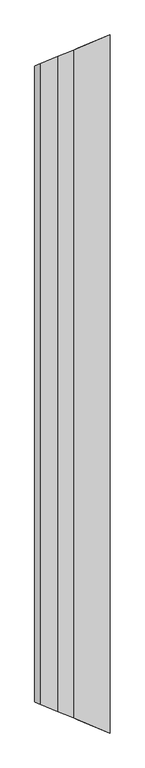
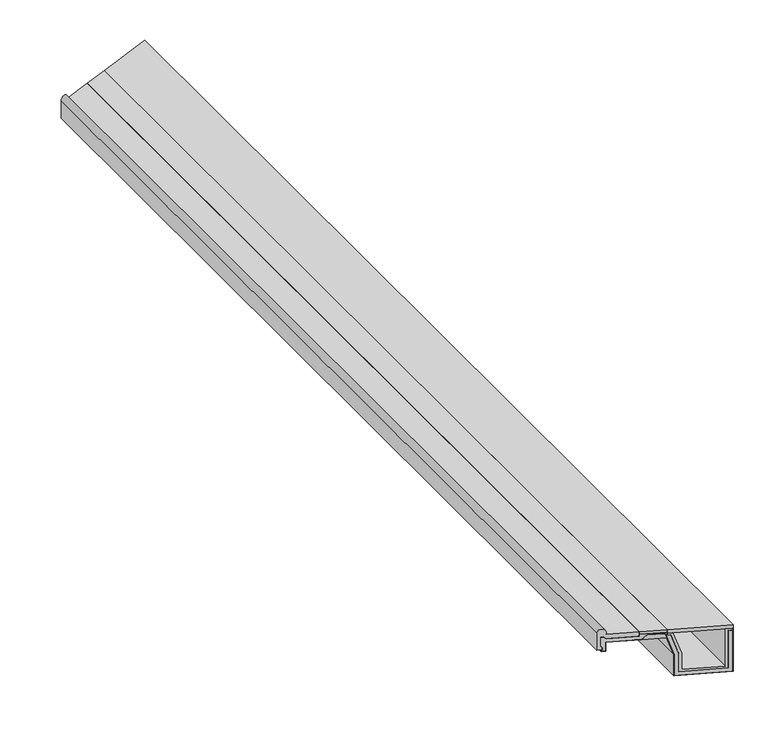
"""IFC4 building model written with IfcOpenShell, lengths in millimetres: proxy geometry."""

import ifcopenshell
import ifcopenshell.guid

model = None  # the IFC model being written
_history = None  # IfcOwnerHistory: only IFC2X3 demands one
_inside = {}  # id of a spatial element -> (the spatial element, [elements in it])
_under = {}  # id of a project, library or spatial element -> (it, [spatial elements below it])
_declared = {}  # id of a project -> (the project, [libraries it declares])
_typed = {}  # id of a type object -> (the type object, [elements of that type])
_made_of = {}  # id of a material, layer set ... -> (it, [elements and type objects made of it])


def new_model(schema):
    """Start an empty IFC model of exactly this schema.

    Asked for "IFC4X3", IfcOpenShell would pick the latest addendum, in which some entities
    have other attributes; the version numbers below select the first issue.
    IFC2X3 requires an IfcOwnerHistory on every rooted entity: one is made here for all.
    """
    global model, _history
    if schema == "IFC4X3":
        model = ifcopenshell.file(schema_version=(4, 3, 0, 0))
    else:
        model = ifcopenshell.file(schema=schema)
    _inside.clear()
    _under.clear()
    _declared.clear()
    _typed.clear()
    _made_of.clear()
    _history = None
    if model.schema == "IFC2X3":
        org = make("IfcOrganization", Name="unknown")
        user = make(
            "IfcPersonAndOrganization",
            ThePerson=make("IfcPerson", FamilyName="unknown"),
            TheOrganization=org,
        )
        app = make(
            "IfcApplication",
            ApplicationDeveloper=org,
            Version="unknown",
            ApplicationFullName="unknown",
            ApplicationIdentifier="unknown",
        )
        _history = make(
            "IfcOwnerHistory",
            OwningUser=user,
            OwningApplication=app,
            ChangeAction="ADDED",
            CreationDate=0,
        )
    return model


def make(cls, **values):
    """One entity of the class cls with the attributes given. An attribute that is None is left unset."""
    return model.create_entity(
        cls, **{name: value for name, value in values.items() if value is not None}
    )


def rooted(cls, **values):
    """An entity with a GlobalId (a new one), such as an element, a storey or a relation."""
    return make(cls, GlobalId=ifcopenshell.guid.new(), OwnerHistory=_history, **values)


def si_unit(unit_type, name, prefix=None):
    """IfcSIUnit, for example si_unit("LENGTHUNIT", "METRE", prefix="MILLI")."""
    return make("IfcSIUnit", UnitType=unit_type, Prefix=prefix, Name=name)


def assignment(units):
    """IfcUnitAssignment: the units of a project."""
    return None if units is None else make("IfcUnitAssignment", Units=units)


def point(xyz):
    """IfcCartesianPoint."""
    return None if xyz is None else make("IfcCartesianPoint", Coordinates=xyz)


def direction(xyz):
    """IfcDirection."""
    return None if xyz is None else make("IfcDirection", DirectionRatios=xyz)


def frame(location, z_axis=None, x_axis=None):
    """IfcAxis2Placement3D, a coordinate frame: its origin and axes. An axis left out is left unset."""
    return make(
        "IfcAxis2Placement3D",
        Location=point(location),
        Axis=direction(z_axis),
        RefDirection=direction(x_axis),
    )


def origin():
    """The frame at (0, 0, 0) with its axes left unset."""
    return frame((0.0, 0.0, 0.0))


def place(relative_to, where):
    """IfcLocalPlacement: puts the frame where relative to a parent placement (None: the world)."""
    return make(
        "IfcLocalPlacement", PlacementRelTo=relative_to, RelativePlacement=where
    )


def context(
    kind, dimensions, precision=None, world=None, true_north=None, identifier=None
):
    """IfcGeometricRepresentationContext, for example the 3D "Model" context."""
    return make(
        "IfcGeometricRepresentationContext",
        ContextIdentifier=identifier,
        ContextType=kind,
        CoordinateSpaceDimension=dimensions,
        Precision=precision,
        WorldCoordinateSystem=world,
        TrueNorth=true_north,
    )


def project(units=None, contexts=None):
    """IfcProject with its units and contexts."""
    return rooted(
        "IfcProject",
        Name="project",
        RepresentationContexts=contexts,
        UnitsInContext=assignment(units),
    )


def spatial(cls, under=None, at=None, **own):
    """A site, building, storey or space (cls), placed at a placement, below another one or the project."""
    s = rooted(cls, ObjectPlacement=at, **own)
    if under is not None:
        _under.setdefault(under.id(), (under, []))[1].append(s)
    return s


def polyline(points):
    """IfcPolyline through the points."""
    return make("IfcPolyline", Points=[point(p) for p in points])


def ellipse_curve(where, semi_axis1, semi_axis2):
    """IfcEllipse in the frame where."""
    return make(
        "IfcEllipse", Position=where, SemiAxis1=semi_axis1, SemiAxis2=semi_axis2
    )


def outline(outer, holes=None, kind="AREA"):
    """IfcArbitraryClosedProfileDef: a profile drawn as a closed curve; with holes, ...WithVoids."""
    if holes is None:
        return make("IfcArbitraryClosedProfileDef", ProfileType=kind, OuterCurve=outer)
    return make(
        "IfcArbitraryProfileDefWithVoids",
        ProfileType=kind,
        OuterCurve=outer,
        InnerCurves=holes,
    )


def extrude(swept, where, along, depth):
    """IfcExtrudedAreaSolid: the profile swept, set in the frame where, extruded along a direction by depth."""
    return make(
        "IfcExtrudedAreaSolid",
        SweptArea=swept,
        Position=where,
        ExtrudedDirection=direction(along),
        Depth=depth,
    )


def faces_of(points, faces, orient=None, outer=None):
    """IfcFace entities. A face is a list of loops; a loop is a list of indices into points, from 0.

    orient and outer hold one flag for each loop. By default every Orientation is true, the
    first loop of a face is its IfcFaceOuterBound and the others are IfcFaceBound.
    """
    made = []
    for i, loops in enumerate(faces):
        bounds = []
        for j, loop in enumerate(loops):
            is_outer = j == 0 if outer is None else outer[i][j]
            bounds.append(
                make(
                    "IfcFaceOuterBound" if is_outer else "IfcFaceBound",
                    Bound=make("IfcPolyLoop", Polygon=[points[k] for k in loop]),
                    Orientation=True if orient is None else orient[i][j],
                )
            )
        made.append(make("IfcFace", Bounds=bounds))
    return made


def faceted_brep(points, faces, orient=None, outer=None, voids=None):
    """IfcFacetedBrep: a solid bounded by flat faces; with voids (closed shells), ...WithVoids."""
    shared = [point(p) for p in points]
    hull = make("IfcClosedShell", CfsFaces=faces_of(shared, faces, orient, outer))
    if voids is None:
        return make("IfcFacetedBrep", Outer=hull)
    return make(
        "IfcFacetedBrepWithVoids",
        Outer=hull,
        Voids=[
            make(cls, CfsFaces=faces_of(shared, fs, o, b)) for cls, fs, o, b in voids
        ],
    )


def shape(context_of_items, identifier, shape_type, items):
    """IfcShapeRepresentation: the items that make up one representation, for example the "Body"."""
    return make(
        "IfcShapeRepresentation",
        ContextOfItems=context_of_items,
        RepresentationIdentifier=identifier,
        RepresentationType=shape_type,
        Items=items,
    )


def source(mapping_origin, context_of_items, identifier, shape_type, items):
    """IfcRepresentationMap: a shape defined once, which mapped items show again and again."""
    return make(
        "IfcRepresentationMap",
        MappingOrigin=mapping_origin,
        MappedRepresentation=shape(context_of_items, identifier, shape_type, items),
    )


def transform(
    local_origin,
    x_axis=None,
    y_axis=None,
    z_axis=None,
    scale=None,
    scale2=None,
    scale3=None,
    uniform=True,
):
    """IfcCartesianTransformationOperator3D, or its non-uniform kind. x_axis, y_axis, z_axis: its Axis1, 2, 3."""
    if uniform:
        return make(
            "IfcCartesianTransformationOperator3D",
            Axis1=direction(x_axis),
            Axis2=direction(y_axis),
            LocalOrigin=point(local_origin),
            Scale=scale,
            Axis3=direction(z_axis),
        )
    return make(
        "IfcCartesianTransformationOperator3DnonUniform",
        Axis1=direction(x_axis),
        Axis2=direction(y_axis),
        LocalOrigin=point(local_origin),
        Scale=scale,
        Axis3=direction(z_axis),
        Scale2=scale2,
        Scale3=scale3,
    )


def mapped(mapping_source, mapping_target):
    """IfcMappedItem: shows the shape of a source again, moved by a transform."""
    return make(
        "IfcMappedItem", MappingSource=mapping_source, MappingTarget=mapping_target
    )


def made_of(thing, what):
    """Note that an element or type object is made of a material, layer set ...; save() writes the relation."""
    if what is not None:
        _made_of.setdefault(what.id(), (what, []))[1].append(thing)
    return thing


def element(
    cls,
    number,
    at=None,
    inside=None,
    cuts=None,
    type_object=None,
    material=None,
    context=None,
    identifier="Body",
    shape_type=None,
    held_by="IfcProductDefinitionShape",
    body=None,
    shapes=None,
    **own,
):
    """One element of the class cls, such as IfcWall. Its Tag is "e" and its number.

    at: its placement. inside: the storey or other place that contains it. cuts: it is an
    opening in that element (IfcRelVoidsElement). A single representation is given by context,
    identifier, shape_type and body (its items); several are given by shapes. held_by: the class
    of the entity that holds the representations. save() writes the other relations.
    """
    e = rooted(cls, Tag="e%d" % number, ObjectPlacement=at, **own)
    if body is not None:
        shapes = [shape(context, identifier, shape_type, body)]
    if shapes is not None:
        e.Representation = make(held_by, Representations=shapes)
    if inside is not None:
        _inside.setdefault(inside.id(), (inside, []))[1].append(e)
    if cuts is not None:
        rooted(
            "IfcRelVoidsElement", RelatingBuildingElement=cuts, RelatedOpeningElement=e
        )
    if type_object is not None:
        _typed.setdefault(type_object.id(), (type_object, []))[1].append(e)
    return made_of(e, material)


def aggregate(whole, parts):
    """IfcRelAggregates: a whole, such as a stair, and the parts it consists of."""
    return rooted("IfcRelAggregates", RelatingObject=whole, RelatedObjects=parts)


def save(model, path):
    """Write the relations noted so far, then the file.

    IfcRelAggregates (storeys below a building ...), IfcRelContainedInSpatialStructure (elements
    in a storey), IfcRelDefinesByType, IfcRelAssociatesMaterial and IfcRelDeclares: one each for
    every whole, place, type object, material and project.
    """
    for whole, parts in _under.values():
        aggregate(whole, parts)
    for where, things in _inside.values():
        rooted(
            "IfcRelContainedInSpatialStructure",
            RelatedElements=things,
            RelatingStructure=where,
        )
    for kind, things in _typed.values():
        rooted("IfcRelDefinesByType", RelatedObjects=things, RelatingType=kind)
    for what, things in _made_of.values():
        rooted("IfcRelAssociatesMaterial", RelatedObjects=things, RelatingMaterial=what)
    for by, libraries in _declared.values():
        rooted("IfcRelDeclares", RelatingContext=by, RelatedDefinitions=libraries)
    model.write(path)


def plane_surface(at):
    """IfcPlane: the flat surface through the origin of the frame at, square to its z axis."""
    return make("IfcPlane", Position=at)


def cylinder_surface(at, radius):
    """IfcCylindricalSurface: all points at the distance radius from the z axis of the frame at."""
    return make("IfcCylindricalSurface", Position=at, Radius=radius)


def advanced_brep(points, edges, surfaces, faces):
    """IfcAdvancedBrep: a solid bounded by faces that lie on surfaces and meet in shared edges.

    An edge is (start, end): straight between two places in points (the first is 0);
    or (start, end, curve); or (start, end, curve, False) where it runs against its curve.
    A face is (place in surfaces, loops), or (place, loops, False) where it looks against
    its surface's normal. A loop lists edges by number (the first is 1), with a minus sign
    where the edge is run from its end to its start. The first loop is the outer one.
    """
    corners = [point(p) for p in points]
    vertices = [make("IfcVertexPoint", VertexGeometry=c) for c in corners]
    made = []
    for start, end, *more in edges:
        made.append(
            make(
                "IfcEdgeCurve",
                EdgeStart=vertices[start],
                EdgeEnd=vertices[end],
                EdgeGeometry=more[0] if more else make("IfcPolyline", Points=[corners[start], corners[end]]),
                SameSense=more[1] if len(more) > 1 else True,
            )
        )
    hull = []
    for where, loops, *sense in faces:
        bounds = []
        for j, loop in enumerate(loops):
            ring = [make("IfcOrientedEdge", EdgeElement=made[abs(k) - 1], Orientation=k > 0) for k in loop]
            bounds.append(
                make(
                    "IfcFaceOuterBound" if j == 0 else "IfcFaceBound",
                    Bound=make("IfcEdgeLoop", EdgeList=ring),
                    Orientation=True,
                )
            )
        hull.append(make("IfcAdvancedFace", Bounds=bounds, FaceSurface=surfaces[where], SameSense=sense[0] if sense else True))
    return make("IfcAdvancedBrep", Outer=make("IfcClosedShell", CfsFaces=hull))


def generic_models_aa0e4c8e(model_context):
    return source(origin(), model_context, "Body", "SolidModel", [
        faceted_brep([(315.0, 2580.4363209, 231.0), (315.0, -2580.4363209, 231.0), (300.0, -2574.2231175, 231.0), (300.0, 2574.2231175, 231.0), (300.0, -2574.2231175, 241.0), (300.0, 2574.2231175, 241.0), (324.4109779, -2584.3344756, 241.0), (324.4109779, 2584.3344756, 241.0), (362.0, -2599.9043584, 122.8630733), (362.0, 2599.9043584, 122.8630733), (362.0, -2599.9043584, 33.0), (362.0, 2599.9043584, 33.0), (548.0, -2676.948081, 33.0), (548.0, 2676.948081, 33.0), (548.0, -2676.948081, 241.0), (548.0, 2676.948081, 241.0), (580.0, -2690.202915, 241.0), (580.0, 2690.202915, 241.0), (580.0, -2690.202915, 231.0), (580.0, 2690.202915, 231.0), (560.0, -2681.9186437, 231.0), (560.0, 2681.9186437, 231.0), (560.0, -2681.9186437, 21.0), (560.0, 2681.9186437, 21.0), (350.0, -2594.9337956, 21.0), (350.0, 2594.9337956, 21.0), (350.0, -2594.9337956, 121.0), (350.0, 2594.9337956, 121.0)], [[[0, 1, 2, 3]], [[3, 2, 4, 5]], [[5, 4, 6, 7]], [[7, 6, 8, 9]], [[9, 8, 10, 11]], [[11, 10, 12, 13]], [[13, 12, 14, 15]], [[15, 14, 16, 17]], [[17, 16, 18, 19]], [[19, 18, 20, 21]], [[21, 20, 22, 23]], [[23, 22, 24, 25]], [[25, 24, 26, 27]], [[1, 0, 27, 26]], [[0, 3, 5, 7, 9, 11, 13, 15, 17, 19, 21, 23, 25, 27]], [[2, 1, 26, 24, 22, 20, 18, 16, 14, 12, 10, 8, 6, 4]]]),
        faceted_brep([(290.0989705, 2570.1219768, 240.0), (290.0989705, -2570.1219768, 240.0), (298.053516, -2573.4168574, 215.0), (298.053516, 2573.4168574, 215.0), (190.4204922, -2528.8337992, 215.0), (190.4204922, 2528.8337992, 215.0), (215.4204922, -2539.1891383, 240.0), (215.4204922, 2539.1891383, 240.0)], [[[0, 1, 2, 3]], [[3, 2, 4, 5]], [[5, 4, 6, 7]], [[1, 0, 7, 6]], [[0, 3, 5, 7]], [[2, 1, 6, 4]]]),
        faceted_brep([(37.5062786, 2465.4946581, 166.0), (37.5062786, -2465.4946581, 166.0), (37.5062786, -2465.4946581, 216.0), (37.5062786, 2465.4946581, 216.0), (190.0062786, -2528.6622263, 216.0), (190.0062786, 2528.6622263, 216.0), (215.0062786, -2539.0175654, 241.0), (215.0062786, 2539.0175654, 241.0), (290.8301884, -2570.4248572, 241.0), (290.8301884, 2570.4248572, 241.0), (330.0, -2586.6495244, 117.8948778), (330.0, 2586.6495244, 117.8948778), (330.0, -2586.6495244, 1.0), (330.0, 2586.6495244, 1.0), (580.0, -2690.202915, 1.0), (580.0, 2690.202915, 1.0), (580.0, -2690.202915, 241.0), (580.0, 2690.202915, 241.0), (581.0, -2690.6171285, 241.0), (581.0, 2690.6171285, 241.0), (581.0, -2690.6171285, 0.0), (581.0, 2690.6171285, 0.0), (329.0, -2586.2353108, 0.0), (329.0, 2586.2353108, 0.0), (329.0, -2586.2353108, 117.7396217), (329.0, 2586.2353108, 117.7396217), (290.0989705, -2570.1219768, 240.0), (290.0989705, 2570.1219768, 240.0), (215.4204922, -2539.1891383, 240.0), (215.4204922, 2539.1891383, 240.0), (190.4204922, -2528.8337992, 215.0), (190.4204922, 2528.8337992, 215.0), (38.5062786, -2465.9088716, 215.0), (38.5062786, 2465.9088716, 215.0), (38.5062786, -2465.9088716, 165.0), (38.5062786, 2465.9088716, 165.0), (20.0, -2458.24332, 165.0), (20.0, 2458.24332, 165.0), (20.0, -2458.24332, 166.0), (20.0, 2458.24332, 166.0)], [[[0, 1, 2, 3]], [[3, 2, 4, 5]], [[5, 4, 6, 7]], [[7, 6, 8, 9]], [[9, 8, 10, 11]], [[11, 10, 12, 13]], [[13, 12, 14, 15]], [[15, 14, 16, 17]], [[18, 19, 17, 16]], [[19, 18, 20, 21]], [[21, 20, 22, 23]], [[23, 22, 24, 25]], [[25, 24, 26, 27]], [[27, 26, 28, 29]], [[29, 28, 30, 31]], [[31, 30, 32, 33]], [[33, 32, 34, 35]], [[35, 34, 36, 37]], [[37, 36, 38, 39]], [[1, 0, 39, 38]], [[0, 3, 5, 7, 9, 11, 13, 15, 17, 19, 21, 23, 25, 27, 29, 31, 33, 35, 37, 39]], [[2, 1, 38, 36, 34, 32, 30, 28, 26, 24, 22, 20, 18, 16, 14, 12, 10, 8, 6, 4]]]),
        faceted_brep([(37.5062786, 2465.4946581, 166.0), (37.5062786, -2465.4946581, 166.0), (20.0, -2458.24332, 166.0), (20.0, 2458.24332, 166.0), (20.0, -2458.24332, 176.0), (20.0, 2458.24332, 176.0), (22.5, -2459.2788539, 176.0), (22.5, 2459.2788539, 176.0), (22.5, -2459.2788539, 186.0), (22.5, 2459.2788539, 186.0), (17.5062786, -2457.2103868, 194.6493791), (17.5062786, 2457.2103868, 194.6493791), (17.5062786, -2457.2103868, 246.0), (17.5062786, 2457.2103868, 246.0), (30.0, -2462.3854557, 246.0), (30.0, 2462.3854557, 246.0), (40.0, -2466.5275913, 236.0), (40.0, 2466.5275913, 236.0), (180.0, -2524.51749, 236.0), (180.0, 2524.51749, 236.0), (180.0, -2524.51749, 246.0), (180.0, 2524.51749, 246.0), (300.0, -2574.2231175, 246.0), (300.0, 2574.2231175, 246.0), (300.0, -2574.2231175, 231.0), (300.0, 2574.2231175, 231.0), (315.0, -2580.4363209, 231.0), (315.0, 2580.4363209, 231.0), (350.0, -2594.9337956, 121.0), (350.0, 2594.9337956, 121.0), (350.0, -2594.9337956, 21.0), (350.0, 2594.9337956, 21.0), (560.0, -2681.9186437, 21.0), (560.0, 2681.9186437, 21.0), (560.0, -2681.9186437, 231.0), (560.0, 2681.9186437, 231.0), (580.0, -2690.202915, 231.0), (580.0, 2690.202915, 231.0), (580.0, -2690.202915, 1.0), (580.0, 2690.202915, 1.0), (330.0, -2586.6495244, 1.0), (330.0, 2586.6495244, 1.0), (330.0, -2586.6495244, 117.8948778), (330.0, 2586.6495244, 117.8948778), (290.8301884, -2570.4248572, 241.0), (290.8301884, 2570.4248572, 241.0), (215.0062786, -2539.0175654, 241.0), (215.0062786, 2539.0175654, 241.0), (190.0062786, -2528.6622263, 216.0), (190.0062786, 2528.6622263, 216.0), (37.5062786, -2465.4946581, 216.0), (37.5062786, 2465.4946581, 216.0)], [[[0, 1, 2, 3]], [[3, 2, 4, 5]], [[5, 4, 6, 7]], [[7, 6, 8, 9]], [[9, 8, 10, 11]], [[11, 10, 12, 13]], [[13, 12, 14, 15]], [[15, 14, 16, 17]], [[17, 16, 18, 19]], [[19, 18, 20, 21]], [[21, 20, 22, 23]], [[23, 22, 24, 25]], [[25, 24, 26, 27]], [[27, 26, 28, 29]], [[29, 28, 30, 31]], [[31, 30, 32, 33]], [[33, 32, 34, 35]], [[35, 34, 36, 37]], [[37, 36, 38, 39]], [[39, 38, 40, 41]], [[41, 40, 42, 43]], [[43, 42, 44, 45]], [[45, 44, 46, 47]], [[47, 46, 48, 49]], [[49, 48, 50, 51]], [[1, 0, 51, 50]], [[0, 3, 5, 7, 9, 11, 13, 15, 17, 19, 21, 23, 25, 27, 29, 31, 33, 35, 37, 39, 41, 43, 45, 47, 49, 51]], [[2, 1, 50, 48, 46, 44, 42, 40, 38, 36, 34, 32, 30, 28, 26, 24, 22, 20, 18, 16, 14, 12, 10, 8, 6, 4]]]),
        extrude(outline(polyline([(300.0, 2574.2231175), (300.0, -2574.2231175), (180.0, -2524.51749), (180.0, 2524.51749), (300.0, 2574.2231175)])), frame((0.0, 0.0, 246.0), z_axis=(0.0, 0.0, 1.0), x_axis=(1.0, 0.0, 0.0)), (0.0, 0.0, 1.0), 15.0),
        faceted_brep([(300.0, -2574.2231175, 261.0), (300.0, 2574.2231175, 261.0), (300.0, 2574.2231175, 241.0), (300.0, -2574.2231175, 241.0), (581.0, -2690.6171285, 261.0), (581.0, 2690.6171285, 261.0), (581.0, 2690.6171285, 241.0), (581.0, -2690.6171285, 241.0)], [[[0, 1, 2, 3]], [[4, 5, 1, 0]], [[1, 5, 6, 2]], [[4, 0, 3, 7]], [[5, 4, 7, 6]], [[6, 7, 3, 2]]]),
        advanced_brep(
        [(40.0, 2466.5275913, 261.0), (40.0, -2466.5275913, 261.0), (180.0, -2524.51749, 261.0), (180.0, 2524.51749, 261.0), (180.0, -2524.51749, 236.0), (180.0, 2524.51749, 236.0), (40.0, -2466.5275913, 236.0), (40.0, 2466.5275913, 236.0), (30.0, -2462.3854557, 246.0), (30.0, 2462.3854557, 246.0), (17.5062786, -2457.2103868, 246.0), (17.5062786, 2457.2103868, 246.0), (17.5062786, -2457.2103868, 194.6493791), (17.5062786, 2457.2103868, 194.6493791), (22.5, -2459.2788539, 186.0), (22.5, 2459.2788539, 186.0), (22.5, -2459.2788539, 176.0), (22.5, 2459.2788539, 176.0), (0.0, -2449.9590488, 176.0), (0.0, 2449.9590488, 176.0), (0.0, -2449.9590488, 271.0), (0.0, 2449.9590488, 271.0), (20.0, -2458.24332, 291.0), (40.0, -2466.5275913, 271.0), (40.0, 2466.5275913, 271.0), (20.0, 2458.24332, 291.0)],
        [
            (0, 1),
            (1, 2),
            (2, 3),
            (3, 0),
            (2, 4),
            (4, 5),
            (5, 3),
            (4, 6),
            (6, 7),
            (7, 5),
            (6, 8),
            (8, 9),
            (9, 7),
            (8, 10),
            (10, 11),
            (11, 9),
            (10, 12),
            (12, 13),
            (13, 11),
            (12, 14),
            (14, 15),
            (15, 13),
            (14, 16),
            (16, 17),
            (17, 15),
            (16, 18),
            (18, 19),
            (19, 17),
            (18, 20),
            (20, 21),
            (21, 19),
            (20, 22, ellipse_curve(frame((20.0, -2458.24332, 271.0), z_axis=(0.3826834323650895, 0.9238795325112868, 0.0), x_axis=(-0.9238795325112868, 0.3826834323650896, 0.0)), 21.647844, 20.0)),
            (22, 23, ellipse_curve(frame((20.0, -2458.24332, 271.0), z_axis=(0.3826834323650895, 0.9238795325112868, 0.0), x_axis=(-0.9238795325112868, 0.3826834323650896, 0.0)), 21.647844, 20.0)),
            (23, 24),
            (24, 25, ellipse_curve(frame((20.0, 2458.24332, 271.0), z_axis=(0.3826834323650895, -0.9238795325112868, 0.0), x_axis=(0.9238795325112867, 0.3826834323650898, 0.0)), 21.647844, 20.0)),
            (25, 21, ellipse_curve(frame((20.0, 2458.24332, 271.0), z_axis=(0.3826834323650895, -0.9238795325112868, 0.0), x_axis=(0.9238795325112867, 0.3826834323650898, 0.0)), 21.647844, 20.0)),
            (0, 24),
            (23, 1),
        ],
        [
            plane_surface(frame((40.0, 2690.6171285, 261.0), z_axis=(0.0, 0.0, 1.0), x_axis=(0.0, -1.0, 0.0))),
            plane_surface(frame((180.0, 2690.6171285, 261.0), z_axis=(1.0, 0.0, 0.0), x_axis=(0.0, -1.0, 0.0))),
            plane_surface(frame((180.0, 2690.6171285, 236.0), z_axis=(0.0, 0.0, -1.0), x_axis=(0.0, -1.0, 0.0))),
            plane_surface(frame((40.0, 2690.6171285, 236.0), z_axis=(-0.7071067811865495, 0.0, -0.7071067811865456), x_axis=(0.0, -1.0, 0.0))),
            plane_surface(frame((30.0, 2690.6171285, 246.0), z_axis=(0.0, 0.0, -1.0), x_axis=(0.0, -1.0, 0.0))),
            plane_surface(frame((17.5062786, 2690.6171285, 246.0), z_axis=(1.0, 0.0, 0.0), x_axis=(0.0, -1.0, 0.0))),
            plane_surface(frame((17.5062786, 2690.6171285, 194.6493791), z_axis=(0.8660254037844389, 0.0, 0.4999999999999996), x_axis=(0.0, -1.0, 0.0))),
            plane_surface(frame((22.5, 2690.6171285, 186.0), z_axis=(1.0, 0.0, 0.0), x_axis=(0.0, -1.0, 0.0))),
            plane_surface(frame((22.5, 2690.6171285, 176.0), z_axis=(0.0, 0.0, -1.0), x_axis=(0.0, -1.0, 0.0))),
            plane_surface(frame((0.0, 2690.6171285, 176.0), z_axis=(-1.0, 0.0, 0.0), x_axis=(0.0, -1.0, 0.0))),
            cylinder_surface(frame((20.0, 2690.6171285, 271.0), z_axis=(0.0, 1.0, 0.0), x_axis=(1.0, 0.0, 0.0)), 20.0),
            plane_surface(frame((40.0, 2690.6171285, 271.0), z_axis=(1.0, 0.0, 0.0), x_axis=(0.0, -1.0, 0.0))),
            plane_surface(frame((0.0, 2449.9590488, 291.0), z_axis=(-0.3826834323650895, 0.9238795325112868, 0.0), x_axis=(0.0, 0.0, -1.0))),
            plane_surface(frame((581.0, -2690.6171285, 291.0), z_axis=(-0.3826834323650895, -0.9238795325112868, 0.0), x_axis=(0.0, 0.0, -1.0))),
        ],
        [
            (0, [[1, 2, 3, 4]]),
            (1, [[-3, 5, 6, 7]]),
            (2, [[-6, 8, 9, 10]]),
            (3, [[-9, 11, 12, 13]]),
            (4, [[-12, 14, 15, 16]]),
            (5, [[-15, 17, 18, 19]]),
            (6, [[-18, 20, 21, 22]]),
            (7, [[-21, 23, 24, 25]]),
            (8, [[-24, 26, 27, 28]]),
            (9, [[-27, 29, 30, 31]]),
            (10, [[-30, 32, 33, 34, 35, 36]]),
            (11, [[-1, 37, -34, 38]]),
            (12, [[-4, -7, -10, -13, -16, -19, -22, -25, -28, -31, -36, -35, -37]]),
            (13, [[-2, -38, -33, -32, -29, -26, -23, -20, -17, -14, -11, -8, -5]]),
        ],
    ),
    ])


if __name__ == "__main__":
    model = new_model("IFC4")
    model_context = context("Model", 3, world=origin())
    ifc_project = project(units=[si_unit("LENGTHUNIT", "METRE", prefix="MILLI")], contexts=[model_context])
    site = spatial("IfcSite", under=ifc_project)
    building = spatial("IfcBuilding", under=site)
    placement = place(None, origin())
    generic_models_shape = generic_models_aa0e4c8e(model_context)
    element("IfcBuildingElementProxy", 1, Name="Generic Models", at=placement, inside=building, context=model_context, shape_type="MappedRepresentation", body=[
        mapped(generic_models_shape, transform((0.0, 0.0, 0.0), x_axis=(1.0, 0.0, 0.0), y_axis=(0.0, 1.0, 0.0), z_axis=(0.0, 0.0, 1.0))),
    ])
    save(model, "model.ifc")
